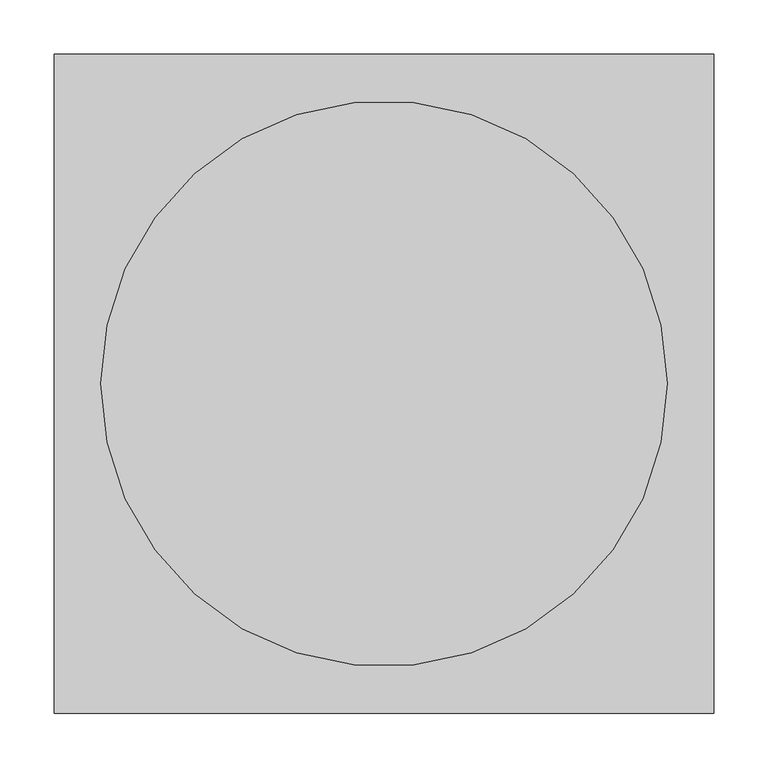
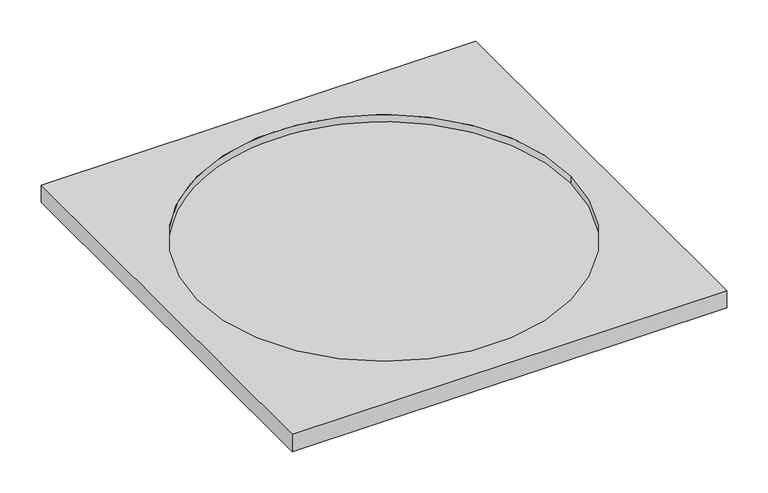
"""IFC4 building model written with IfcOpenShell, lengths in millimetres: proxy geometry."""

from ifc_helpers import new_model, si_unit, point, origin, origin_with_axes, origin_2d, place, context, project, spatial, polyline, circle_curve, trimmed, segment, composite_curve, outline, extrude, source, transform, mapped, element, save


def specialty_equipment_ec1815dd(model_context):
    return source(origin(), model_context, "Body", "SweptSolid", [
        extrude(outline(composite_curve([segment(trimmed(circle_curve(origin_2d(), 260.35), [point((260.35, 0.0))], [point((-260.35, 0.0))], False, "CARTESIAN"), True, "CONTINUOUS"), segment(trimmed(circle_curve(origin_2d(), 260.35), [point((-260.35, 0.0))], [point((260.35, 0.0))], False, "CARTESIAN"), True, "CONTINUOUS")], self_intersect=False)), origin_with_axes(), (0.0, 0.0, 1.0), 14.8857949),
        extrude(outline(polyline([(303.2125, 303.2125), (303.2125, -303.2125), (-303.2125, -303.2125), (-303.2125, 303.2125), (303.2125, 303.2125)]), holes=[composite_curve([segment(trimmed(circle_curve(origin_2d(), 260.35), [point((-260.35, 0.0))], [point((260.35, 0.0))], True, "CARTESIAN"), True, "CONTINUOUS"), segment(trimmed(circle_curve(origin_2d(), 260.35), [point((260.35, 0.0))], [point((-260.35, 0.0))], True, "CARTESIAN"), True, "CONTINUOUS")], self_intersect=False)]), origin_with_axes(), (0.0, 0.0, 1.0), 25.4),
    ])


if __name__ == "__main__":
    model = new_model("IFC4")
    model_context = context("Model", 3, world=origin())
    ifc_project = project(units=[si_unit("LENGTHUNIT", "METRE", prefix="MILLI")], contexts=[model_context])
    site = spatial("IfcSite", under=ifc_project)
    building = spatial("IfcBuilding", under=site)
    placement = place(None, origin())
    specialty_equipment_shape = specialty_equipment_ec1815dd(model_context)
    element("IfcBuildingElementProxy", 1, Name="Specialty Equipment", at=placement, inside=building, context=model_context, shape_type="MappedRepresentation", body=[
        mapped(specialty_equipment_shape, transform((0.0, 0.0, 0.0), x_axis=(1.0, 0.0, 0.0), y_axis=(0.0, 1.0, 0.0), z_axis=(0.0, 0.0, 1.0))),
    ])
    save(model, "model.ifc")
